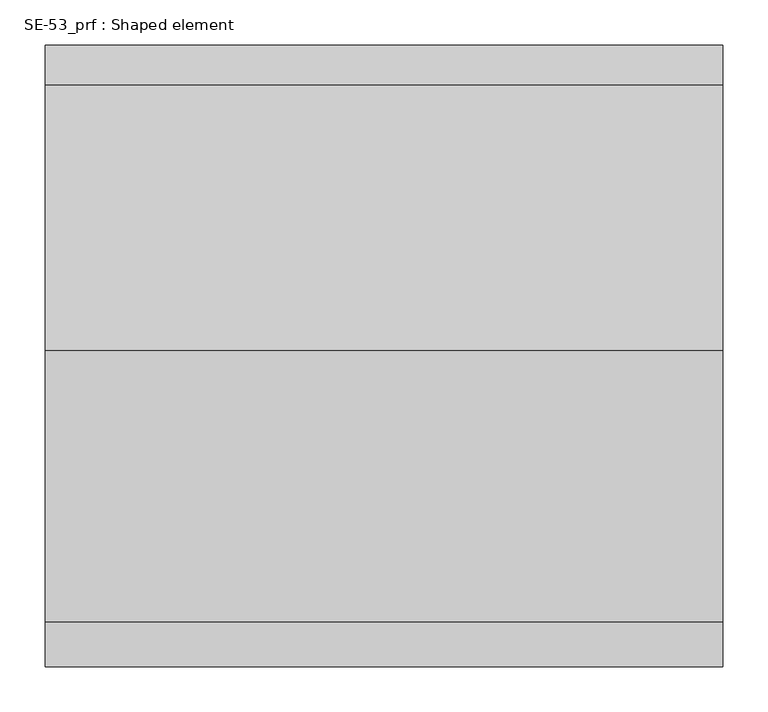
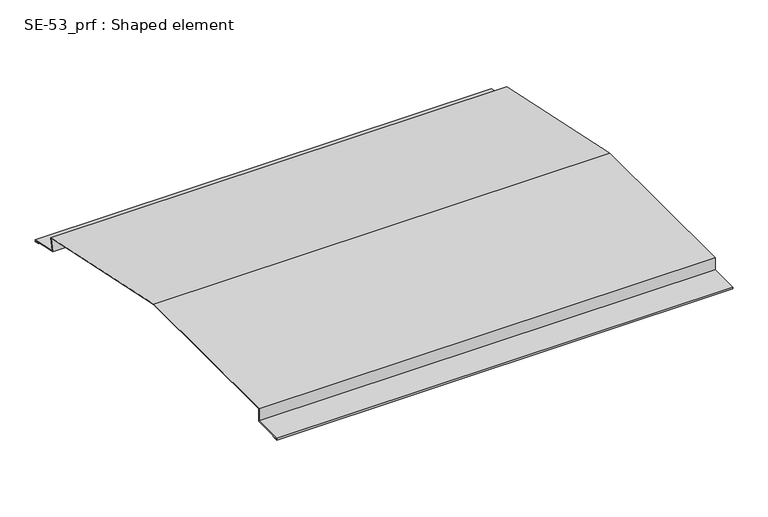
"""IFC4 building model written with IfcOpenShell, lengths in millimetres: proxy geometry, SE-53_prf : Shaped element."""

from ifc_helpers import new_model, si_unit, frame, origin, place, context, project, spatial, polyline, outline, extrude, source, transform, mapped, element, save


def se_53_prf_shaped_element_307dcc64(model_context):
    return source(origin(), model_context, "Body", "SweptSolid", [
        extrude(outline(polyline([(-347.2672899, 2.0), (-347.2672899, 5.0), (-297.2672899, 5.0), (-297.2672899, 26.0), (2.7327101, 26.0), (296.1769903, -36.3735072), (291.8108448, -56.9146069), (340.7182249, -67.3101914), (340.0944898, -70.2446342), (330.3130138, -68.1655173), (330.5209255, -67.1873697), (339.3242539, -69.0585749), (339.5321656, -68.0804273), (290.6247855, -57.6848428), (294.990931, -37.1437432), (2.6276059, 25.0), (-296.2672899, 25.0), (-296.2672899, 4.0), (-346.2672899, 4.0), (-346.2672899, 3.0), (-337.2672899, 3.0), (-337.2672899, 2.0), (-347.2672899, 2.0)])), frame((0.0, 0.0, 0.0), z_axis=(1.0, 0.0, 0.0), x_axis=(0.0, 1.0, 0.0)), (0.0, 0.0, 1.0), 750.0),
    ])


if __name__ == "__main__":
    model = new_model("IFC4")
    model_context = context("Model", 3, world=origin())
    ifc_project = project(units=[si_unit("LENGTHUNIT", "METRE", prefix="MILLI")], contexts=[model_context])
    site = spatial("IfcSite", under=ifc_project)
    building = spatial("IfcBuilding", under=site)
    placement = place(None, origin())
    se_53_prf_shaped_element_shape = se_53_prf_shaped_element_307dcc64(model_context)
    element("IfcBuildingElementProxy", 1, Name="SE-53_prf : Shaped element", ObjectType="SE-53_prf : Shaped element", at=placement, inside=building, context=model_context, shape_type="MappedRepresentation", body=[
        mapped(se_53_prf_shaped_element_shape, transform((0.0, 0.0, 0.0), x_axis=(1.0, 0.0, 0.0), y_axis=(0.0, 1.0, 0.0), z_axis=(0.0, 0.0, 1.0))),
    ])
    save(model, "model.ifc")
